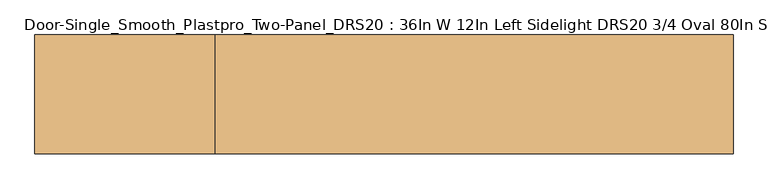
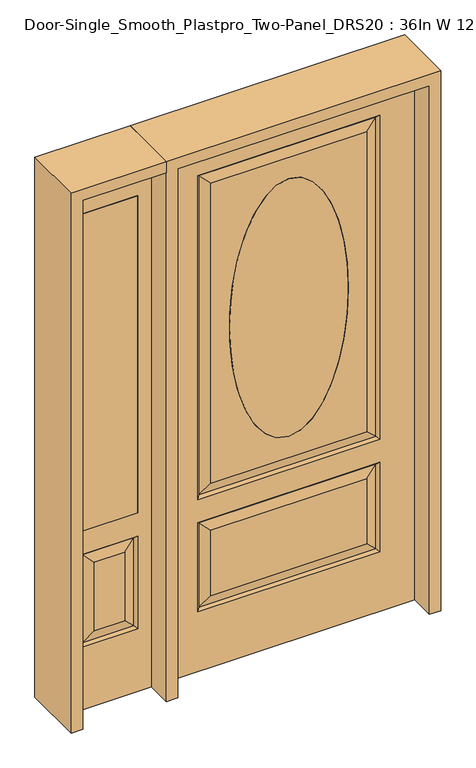
"""IFC4 building model written with IfcOpenShell, lengths in millimetres: door geometry, Door-Single_Smooth_Plastpro_Two-Panel_DRS20 : 36In W 12In Left Sidelight DRS20 3/4 Oval 80In Smooth."""

from ifc_helpers import new_model, si_unit, point, frame, origin, place, context, project, spatial, polyline, ellipse_curve, trimmed, outline, extrude, faceted_brep, source, transform, mapped, element, save
from ifc_brep_helpers import plane_surface, extruded_surface, advanced_brep


def door_single_smooth_plastpro_two_panel_drs20_36in_w_12in_left_6a8a8876(model_context):
    return source(origin(), model_context, "Body", "SolidModel", [
        extrude(outline(polyline([(-549.275, -20.6375), (-752.475, -20.6375), (-752.475, 20.6375), (-549.275, 20.6375), (-549.275, -20.6375)])), frame((0.0, 0.0, 685.8), z_axis=(0.0, 0.0, 1.0), x_axis=(1.0, 0.0, 0.0)), (0.0, 0.0, 1.0), 1219.2),
        faceted_brep([(-803.275, -20.6375, 0.0), (-498.475, -20.6375, 0.0), (-498.475, -20.6375, 2032.0), (-803.275, -20.6375, 2032.0), (-549.275, -20.6375, 685.8), (-752.475, -20.6375, 685.8), (-752.475, -20.6375, 1905.0), (-549.275, -20.6375, 1905.0), (-549.275, -20.6375, 241.3), (-752.475, -20.6375, 241.3), (-752.475, -20.6375, 596.9), (-549.275, -20.6375, 596.9), (-706.4375, -20.6375, 287.3375), (-595.3125, -20.6375, 287.3375), (-595.3125, -20.6375, 550.8625), (-706.4375, -20.6375, 550.8625), (-803.275, 20.6375, 0.0), (-498.475, 20.6375, 0.0), (-498.475, 20.6375, 2032.0), (-803.275, 20.6375, 2032.0), (-558.2552561, -11.6572439, 250.2802561), (-743.4947439, -11.6572439, 250.2802561), (-743.4947439, -11.6572439, 587.9197439), (-558.2552561, -11.6572439, 587.9197439), (-549.275, 20.6375, 685.8), (-752.475, 20.6375, 685.8), (-752.475, 20.6375, 1905.0), (-549.275, 20.6375, 1905.0), (-752.475, 20.6375, 241.3), (-549.275, 20.6375, 241.3), (-549.275, 20.6375, 596.9), (-752.475, 20.6375, 596.9), (-595.3125, 20.6375, 287.3375), (-706.4375, 20.6375, 287.3375), (-706.4375, 20.6375, 550.8625), (-595.3125, 20.6375, 550.8625), (-743.4947439, 11.6572439, 250.2802561), (-558.2552561, 11.6572439, 250.2802561), (-558.2552561, 11.6572439, 587.9197439), (-743.4947439, 11.6572439, 587.9197439)], [[[0, 1, 2, 3], [4, 5, 6, 7], [8, 9, 10, 11]], [[12, 13, 14, 15]], [[1, 0, 16, 17]], [[2, 1, 17, 18]], [[0, 3, 19, 16]], [[20, 21, 9, 8]], [[9, 21, 22, 10]], [[10, 22, 23, 11]], [[20, 8, 11, 23]], [[21, 20, 13, 12]], [[13, 20, 23, 14]], [[22, 15, 14, 23]], [[21, 12, 15, 22]], [[4, 24, 25, 5]], [[5, 25, 26, 6]], [[24, 4, 7, 27]], [[16, 19, 18, 17], [25, 24, 27, 26], [28, 29, 30, 31]], [[32, 33, 34, 35]], [[28, 36, 37, 29]], [[29, 37, 38, 30]], [[39, 31, 30, 38]], [[36, 28, 31, 39]], [[37, 36, 33, 32]], [[33, 36, 39, 34]], [[34, 39, 38, 35]], [[37, 32, 35, 38]], [[3, 2, 18, 19]], [[27, 7, 6, 26]]]),
        advanced_brep(
        [(0.0, -20.6375, 1778.0), (0.0, -20.6375, 787.4), (0.0, 20.6375, 1778.0), (0.0, 20.6375, 787.4)],
        [
            (0, 1, ellipse_curve(frame((0.0, -20.6375, 1282.7), z_axis=(0.0, -1.0, 0.0), x_axis=(0.0, 0.0, -1.0)), 495.3, 215.9)),
            (1, 0, ellipse_curve(frame((0.0, -20.6375, 1282.7), z_axis=(0.0, -1.0, 0.0), x_axis=(0.0, 0.0, -1.0)), 495.3, 215.9)),
            (0, 2),
            (2, 3, ellipse_curve(frame((0.0, 20.6375, 1282.7), z_axis=(0.0, -1.0, 0.0), x_axis=(0.0, 0.0, -1.0)), 495.3, 215.9)),
            (3, 1),
            (3, 2, ellipse_curve(frame((0.0, 20.6375, 1282.7), z_axis=(0.0, -1.0, 0.0), x_axis=(0.0, 0.0, -1.0)), 495.3, 215.9)),
        ],
        [
            plane_surface(frame((0.0, -20.6375, 787.4), z_axis=(0.0, -1.0, 0.0), x_axis=(1.0, 0.0, 0.0))),
            extruded_surface(trimmed(ellipse_curve(frame((0.0, 61.9125, 1282.7), z_axis=(0.0, -1.0, 0.0), x_axis=(0.0, 0.0, -1.0)), 495.3, 215.9), [point((0.0, 61.9125, 1778.0))], [point((0.0, 61.9125, 787.4))], True, "CARTESIAN"), (0.0, -41.275000000000006, 0.0), 41.275000000000006),
            extruded_surface(trimmed(ellipse_curve(frame((0.0, 61.9125, 1282.7), z_axis=(0.0, -1.0, 0.0), x_axis=(0.0, 0.0, -1.0)), 495.3, 215.9), [point((0.0, 61.9125, 787.4))], [point((0.0, 61.9125, 1778.0))], True, "CARTESIAN"), (0.0, -41.275000000000006, 0.0), 41.275000000000006),
            plane_surface(frame((0.0, 20.6375, 787.4), z_axis=(0.0, 1.0, 0.0), x_axis=(-1.0, 0.0, 0.0))),
        ],
        [
            (0, [[1, 2]]),
            (1, [[-1, 3, 4, 5]]),
            (2, [[-2, -5, 6, -3]]),
            (3, [[-6, -4]]),
        ],
    ),
        advanced_brep(
        [(457.2, 20.6375, 0.0), (457.2, -20.6375, 0.0), (-457.2, -20.6375, 0.0), (-457.2, 20.6375, 0.0), (457.2, 20.6375, 2032.0), (457.2, -20.6375, 2032.0), (-284.1625, -20.6375, 706.4375), (284.1625, -20.6375, 706.4375), (284.1625, -20.6375, 1858.9625), (-284.1625, -20.6375, 1858.9625), (0.0, -20.6375, 787.4), (0.0, -20.6375, 1778.0), (-284.1625, -20.6375, 274.6375), (284.1625, -20.6375, 274.6375), (284.1625, -20.6375, 525.4625), (-284.1625, -20.6375, 525.4625), (-457.2, -20.6375, 2032.0), (330.2, -20.6375, 660.4), (-330.2, -20.6375, 660.4), (-330.2, -20.6375, 1905.0), (330.2, -20.6375, 1905.0), (330.2, -20.6375, 228.6), (-330.2, -20.6375, 228.6), (-330.2, -20.6375, 571.5), (330.2, -20.6375, 571.5), (-457.2, 20.6375, 2032.0), (-284.1625, 20.6375, 525.4625), (284.1625, 20.6375, 525.4625), (284.1625, 20.6375, 274.6375), (-284.1625, 20.6375, 274.6375), (-284.1625, 20.6375, 1858.9625), (284.1625, 20.6375, 1858.9625), (284.1625, 20.6375, 706.4375), (-284.1625, 20.6375, 706.4375), (0.0, 20.6375, 1778.0), (0.0, 20.6375, 787.4), (330.2, 20.6375, 571.5), (-330.2, 20.6375, 571.5), (-330.2, 20.6375, 228.6), (330.2, 20.6375, 228.6), (330.2, 20.6375, 1905.0), (-330.2, 20.6375, 1905.0), (-330.2, 20.6375, 660.4), (330.2, 20.6375, 660.4), (-321.2197439, 11.6572439, 1896.0197439), (-321.2197439, 11.6572439, 669.3802561), (321.2197439, 11.6572439, 669.3802561), (321.2197439, 11.6572439, 1896.0197439), (321.2197439, 11.6572439, 562.5197439), (-321.2197439, 11.6572439, 562.5197439), (-321.2197439, 11.6572439, 237.5802561), (321.2197439, 11.6572439, 237.5802561), (321.2197439, -11.6572439, 669.3802561), (-321.2197439, -11.6572439, 669.3802561), (-321.2197439, -11.6572439, 1896.0197439), (321.2197439, -11.6572439, 1896.0197439), (321.2197439, -11.6572439, 237.5802561), (-321.2197439, -11.6572439, 237.5802561), (-321.2197439, -11.6572439, 562.5197439), (321.2197439, -11.6572439, 562.5197439)],
        [
            (0, 1),
            (1, 2),
            (2, 3),
            (3, 0),
            (4, 5),
            (5, 1),
            (0, 4),
            (6, 7),
            (7, 8),
            (8, 9),
            (9, 6),
            (10, 11, ellipse_curve(frame((0.0, -20.6375, 1282.7), z_axis=(0.0, 1.0, 0.0), x_axis=(0.0, 0.0, -1.0)), 495.3, 215.9)),
            (11, 10, ellipse_curve(frame((0.0, -20.6375, 1282.7), z_axis=(0.0, 1.0, 0.0), x_axis=(0.0, 0.0, -1.0)), 495.3, 215.9)),
            (12, 13),
            (13, 14),
            (14, 15),
            (15, 12),
            (5, 16),
            (16, 2),
            (17, 18),
            (18, 19),
            (19, 20),
            (20, 17),
            (21, 22),
            (22, 23),
            (23, 24),
            (24, 21),
            (16, 25),
            (25, 3),
            (26, 27),
            (27, 28),
            (28, 29),
            (29, 26),
            (30, 31),
            (31, 32),
            (32, 33),
            (33, 30),
            (34, 35, ellipse_curve(frame((0.0, 20.6375, 1282.7), z_axis=(0.0, -1.0, 0.0), x_axis=(0.0, 0.0, -1.0)), 495.3, 215.9)),
            (35, 34, ellipse_curve(frame((0.0, 20.6375, 1282.7), z_axis=(0.0, -1.0, 0.0), x_axis=(0.0, 0.0, -1.0)), 495.3, 215.9)),
            (25, 4),
            (36, 37),
            (37, 38),
            (38, 39),
            (39, 36),
            (40, 41),
            (41, 42),
            (42, 43),
            (43, 40),
            (41, 44),
            (44, 45),
            (45, 42),
            (45, 46),
            (46, 43),
            (47, 40),
            (46, 47),
            (31, 47),
            (46, 32),
            (45, 33),
            (44, 30),
            (48, 49),
            (49, 37),
            (36, 48),
            (49, 50),
            (50, 38),
            (50, 51),
            (51, 39),
            (51, 48),
            (48, 27),
            (26, 49),
            (51, 28),
            (50, 29),
            (10, 35),
            (34, 11),
            (52, 53),
            (53, 18),
            (17, 52),
            (53, 54),
            (54, 19),
            (20, 55),
            (55, 52),
            (52, 7),
            (6, 53),
            (55, 8),
            (9, 54),
            (56, 57),
            (57, 22),
            (21, 56),
            (57, 58),
            (58, 23),
            (58, 59),
            (59, 24),
            (59, 56),
            (56, 13),
            (12, 57),
            (59, 14),
            (58, 15),
            (54, 55),
            (47, 44),
        ],
        [
            plane_surface(frame((-457.2, 20.6375, 0.0), z_axis=(0.0, 0.0, -1.0), x_axis=(1.0, 0.0, 0.0))),
            plane_surface(frame((457.2, -20.6375, 2032.0), z_axis=(1.0, 0.0, 0.0), x_axis=(0.0, 0.0, -1.0))),
            plane_surface(frame((-457.2, -20.6375, 2032.0), z_axis=(0.0, -1.0, 0.0), x_axis=(0.0, 0.0, -1.0))),
            plane_surface(frame((-457.2, 20.6375, 2032.0), z_axis=(-1.0, 0.0, 0.0), x_axis=(0.0, 0.0, -1.0))),
            plane_surface(frame((457.2, 20.6375, 2032.0), z_axis=(0.0, 1.0, 0.0), x_axis=(0.0, 0.0, -1.0))),
            plane_surface(frame((-330.2, 20.6375, 1905.0), z_axis=(0.7071067811865436, 0.7071067811865516, 0.0), x_axis=(0.0, 0.0, -1.0))),
            plane_surface(frame((-330.2, 20.6375, 660.4), z_axis=(0.0, 0.7071067811865516, 0.7071067811865436), x_axis=(1.0, 0.0, 0.0))),
            plane_surface(frame((330.2, 20.6375, 660.4), z_axis=(-0.7071067811865436, 0.7071067811865516, 0.0), x_axis=(0.0, 0.0, 1.0))),
            plane_surface(frame((321.2197439, 11.6572439, 669.3802561), z_axis=(0.2355178326930706, 0.9718700275672457, 0.0), x_axis=(0.0, 0.0, 1.0))),
            plane_surface(frame((-321.2197439, 11.6572439, 669.3802561), z_axis=(0.0, 0.9718700275672457, -0.2355178326930706), x_axis=(1.0, 0.0, 0.0))),
            plane_surface(frame((-321.2197439, 11.6572439, 1896.0197439), z_axis=(-0.2355178326930706, 0.9718700275672457, 0.0), x_axis=(0.0, 0.0, -1.0))),
            plane_surface(frame((330.2, 20.6375, 571.5), z_axis=(0.0, 0.7071067811865542, -0.7071067811865409), x_axis=(-1.0, 0.0, 0.0))),
            plane_surface(frame((-330.2, 20.6375, 571.5), z_axis=(0.7071067811865409, 0.7071067811865542, 0.0), x_axis=(0.0, 0.0, -1.0))),
            plane_surface(frame((-330.2, 20.6375, 228.6), z_axis=(0.0, 0.7071067811865542, 0.7071067811865409), x_axis=(1.0, 0.0, 0.0))),
            plane_surface(frame((330.2, 20.6375, 228.6), z_axis=(-0.7071067811865409, 0.7071067811865542, 0.0), x_axis=(0.0, 0.0, 1.0))),
            plane_surface(frame((321.2197439, 11.6572439, 562.5197439), z_axis=(0.0, 0.9718700275672457, 0.2355178326930706), x_axis=(-1.0, 0.0, 0.0))),
            plane_surface(frame((321.2197439, 11.6572439, 237.5802561), z_axis=(0.2355178326930706, 0.9718700275672457, 0.0), x_axis=(0.0, 0.0, 1.0))),
            plane_surface(frame((-321.2197439, 11.6572439, 237.5802561), z_axis=(0.0, 0.9718700275672457, -0.2355178326930706), x_axis=(1.0, 0.0, 0.0))),
            plane_surface(frame((-321.2197439, 11.6572439, 562.5197439), z_axis=(-0.2355178326930706, 0.9718700275672457, 0.0), x_axis=(0.0, 0.0, -1.0))),
            extruded_surface(trimmed(ellipse_curve(frame((0.0, 20.6375, 1282.7), z_axis=(0.0, -1.0, 0.0), x_axis=(0.0, 0.0, -1.0)), 495.3, 215.9), [point((0.0, 20.6375, 1778.0))], [point((0.0, 20.6375, 787.4))], True, "CARTESIAN"), (0.0, 41.275000000000006, 0.0), 41.275000000000006),
            extruded_surface(trimmed(ellipse_curve(frame((0.0, 20.6375, 1282.7), z_axis=(0.0, -1.0, 0.0), x_axis=(0.0, 0.0, -1.0)), 495.3, 215.9), [point((0.0, 20.6375, 787.4))], [point((0.0, 20.6375, 1778.0))], True, "CARTESIAN"), (0.0, 41.275000000000006, 0.0), 41.275000000000006),
            plane_surface(frame((330.2, -20.6375, 660.4), z_axis=(0.0, -0.7071067811865466, 0.7071067811865486), x_axis=(-1.0, 0.0, 0.0))),
            plane_surface(frame((-330.2, -20.6375, 660.4), z_axis=(0.7071067811865486, -0.7071067811865466, 0.0), x_axis=(0.0, 0.0, 1.0))),
            plane_surface(frame((330.2, -20.6375, 1905.0), z_axis=(-0.7071067811865486, -0.7071067811865466, 0.0), x_axis=(0.0, 0.0, -1.0))),
            plane_surface(frame((321.2197439, -11.6572439, 669.3802561), z_axis=(0.0, -0.9718700275672454, -0.23551783269307167), x_axis=(-1.0, 0.0, 0.0))),
            plane_surface(frame((321.2197439, -11.6572439, 1896.0197439), z_axis=(0.23551783269307167, -0.9718700275672454, 0.0), x_axis=(0.0, 0.0, -1.0))),
            plane_surface(frame((-321.2197439, -11.6572439, 669.3802561), z_axis=(-0.23551783269307167, -0.9718700275672454, 0.0), x_axis=(0.0, 0.0, 1.0))),
            plane_surface(frame((330.2, -20.6375, 228.6), z_axis=(0.0, -0.7071067811865489, 0.7071067811865462), x_axis=(-1.0, 0.0, 0.0))),
            plane_surface(frame((-330.2, -20.6375, 228.6), z_axis=(0.7071067811865462, -0.7071067811865489, 0.0), x_axis=(0.0, 0.0, 1.0))),
            plane_surface(frame((-330.2, -20.6375, 571.5), z_axis=(0.0, -0.7071067811865489, -0.7071067811865462), x_axis=(1.0, 0.0, 0.0))),
            plane_surface(frame((330.2, -20.6375, 571.5), z_axis=(-0.7071067811865462, -0.7071067811865489, 0.0), x_axis=(0.0, 0.0, -1.0))),
            plane_surface(frame((321.2197439, -11.6572439, 237.5802561), z_axis=(0.0, -0.9718700275672454, -0.2355178326930719), x_axis=(-1.0, 0.0, 0.0))),
            plane_surface(frame((321.2197439, -11.6572439, 562.5197439), z_axis=(0.2355178326930719, -0.9718700275672454, 0.0), x_axis=(0.0, 0.0, -1.0))),
            plane_surface(frame((-321.2197439, -11.6572439, 562.5197439), z_axis=(0.0, -0.9718700275672454, 0.2355178326930719), x_axis=(1.0, 0.0, 0.0))),
            plane_surface(frame((-321.2197439, -11.6572439, 237.5802561), z_axis=(-0.2355178326930719, -0.9718700275672454, 0.0), x_axis=(0.0, 0.0, 1.0))),
            plane_surface(frame((-457.2, 20.6375, 2032.0), z_axis=(0.0, 0.0, 1.0), x_axis=(-1.0, 0.0, 0.0))),
            plane_surface(frame((-330.2, -20.6375, 1905.0), z_axis=(0.0, -0.7071067811865466, -0.7071067811865486), x_axis=(1.0, 0.0, 0.0))),
            plane_surface(frame((-321.2197439, -11.6572439, 1896.0197439), z_axis=(0.0, -0.9718700275672454, 0.23551783269307167), x_axis=(1.0, 0.0, 0.0))),
            plane_surface(frame((330.2, 20.6375, 1905.0), z_axis=(0.0, 0.7071067811865516, -0.7071067811865436), x_axis=(-1.0, 0.0, 0.0))),
            plane_surface(frame((321.2197439, 11.6572439, 1896.0197439), z_axis=(0.0, 0.9718700275672457, 0.2355178326930706), x_axis=(-1.0, 0.0, 0.0))),
        ],
        [
            (0, [[1, 2, 3, 4]]),
            (1, [[5, 6, -1, 7]]),
            (2, [[8, 9, 10, 11], [12, 13]]),
            (2, [[14, 15, 16, 17]]),
            (2, [[18, 19, -2, -6], [20, 21, 22, 23], [24, 25, 26, 27]]),
            (3, [[28, 29, -3, -19]]),
            (4, [[30, 31, 32, 33]]),
            (4, [[34, 35, 36, 37], [38, 39]]),
            (4, [[40, -7, -4, -29], [41, 42, 43, 44], [45, 46, 47, 48]]),
            (5, [[49, 50, 51, -46]]),
            (6, [[-51, 52, 53, -47]]),
            (7, [[54, -48, -53, 55]]),
            (8, [[56, -55, 57, -35]]),
            (9, [[58, -36, -57, -52]]),
            (10, [[59, -37, -58, -50]]),
            (11, [[60, 61, -41, 62]]),
            (12, [[-61, 63, 64, -42]]),
            (13, [[-64, 65, 66, -43]]),
            (14, [[-62, -44, -66, 67]]),
            (15, [[-60, 68, -30, 69]]),
            (16, [[-68, -67, 70, -31]]),
            (17, [[71, -32, -70, -65]]),
            (18, [[-69, -33, -71, -63]]),
            (19, [[72, -38, 73, -12]]),
            (20, [[-72, -13, -73, -39]]),
            (21, [[74, 75, -20, 76]]),
            (22, [[-75, 77, 78, -21]]),
            (23, [[-76, -23, 79, 80]]),
            (24, [[-74, 81, -8, 82]]),
            (25, [[-81, -80, 83, -9]]),
            (26, [[-82, -11, 84, -77]]),
            (27, [[85, 86, -24, 87]]),
            (28, [[-86, 88, 89, -25]]),
            (29, [[-89, 90, 91, -26]]),
            (30, [[-87, -27, -91, 92]]),
            (31, [[-85, 93, -14, 94]]),
            (32, [[-93, -92, 95, -15]]),
            (33, [[96, -16, -95, -90]]),
            (34, [[-94, -17, -96, -88]]),
            (35, [[-40, -28, -18, -5]]),
            (36, [[-78, 97, -79, -22]]),
            (37, [[-84, -10, -83, -97]]),
            (38, [[98, -49, -45, -54]]),
            (39, [[-98, -56, -34, -59]]),
        ],
    ),
        extrude(outline(polyline([(2032.0, -498.475), (2073.275, -498.475), (2073.275, -844.55), (0.0, -844.55), (0.0, -803.275), (2032.0, -803.275), (2032.0, -498.475)])), frame((0.0, -114.3, 0.0), z_axis=(0.0, 1.0, 0.0), x_axis=(0.0, 0.0, 1.0)), (0.0, 0.0, 1.0), 228.6),
        extrude(outline(polyline([(2073.275, -498.475), (0.0, -498.475), (0.0, -457.2), (2032.0, -457.2), (2032.0, 457.2), (0.0, 457.2), (0.0, 498.475), (2073.275, 498.475), (2073.275, -498.475)])), frame((0.0, -114.3, 0.0), z_axis=(0.0, 1.0, 0.0), x_axis=(0.0, 0.0, 1.0)), (0.0, 0.0, 1.0), 228.6),
    ])


if __name__ == "__main__":
    model = new_model("IFC4")
    model_context = context("Model", 3, world=origin())
    ifc_project = project(units=[si_unit("LENGTHUNIT", "METRE", prefix="MILLI")], contexts=[model_context])
    site = spatial("IfcSite", under=ifc_project)
    building = spatial("IfcBuilding", under=site)
    placement = place(None, origin())
    door_single_smooth_plastpro_two_panel_drs20_36in_w_12in_left_shape = door_single_smooth_plastpro_two_panel_drs20_36in_w_12in_left_6a8a8876(model_context)
    element("IfcDoor", 1, ObjectType="Door-Single_Smooth_Plastpro_Two-Panel_DRS20 : 36In W 12In Left Sidelight DRS20 3/4 Oval 80In Smooth", at=placement, inside=building, context=model_context, shape_type="MappedRepresentation", body=[
        mapped(door_single_smooth_plastpro_two_panel_drs20_36in_w_12in_left_shape, transform((0.0, 0.0, 0.0), x_axis=(1.0, 0.0, 0.0), y_axis=(0.0, 1.0, 0.0), z_axis=(0.0, 0.0, 1.0))),
    ])
    save(model, "model.ifc")
